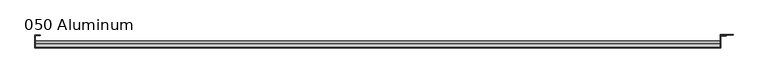
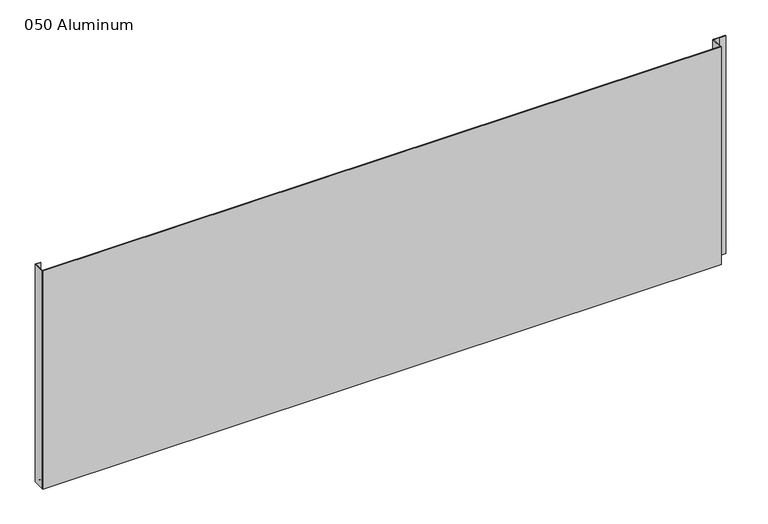
"""IFC4 building model written with IfcOpenShell, lengths in millimetres: plate geometry, 050 Aluminum."""

from ifc_helpers import new_model, si_unit, point, frame, frame_2d, origin, origin_with_axes, place, context, project, spatial, polyline, circle_curve, trimmed, segment, composite_curve, outline, extrude, source, transform, mapped, element, save


def plate_050_aluminum_64eddccd(model_context):
    return source(origin(), model_context, "Body", "SweptSolid", [
        extrude(outline(polyline([(-919.4799998, -2.5660257), (-919.4799998, -34.7980001), (-920.7499998, -34.7980001), (-920.7499998, -1.2699999), (-906.5894993, -1.2699999), (-906.5894993, -2.5660257), (-919.4799998, -2.5660257)])), origin_with_axes(), (0.0, 0.0, 1.0), 621.03),
        extrude(outline(composite_curve([segment(polyline([(-16.6765477, 13.1458337), (-16.6765477, 2.786437), (-17.9464915, 2.786437), (-17.9464915, 13.1323356)]), True, "CONTINUOUS"), segment(trimmed(circle_curve(frame_2d((-19.8514743, 13.124237)), 1.905), [point((-17.9464915, 13.1323356))], [point((-21.7564743, 13.124237))], True, "CARTESIAN"), True, "CONTINUOUS"), segment(polyline([(-21.7564743, 13.124237), (-21.7564743, 0.0), (-34.7980002, 0.0), (-34.7980002, 1.2693678), (-23.0264743, 1.2693678), (-23.0264743, 13.124237)]), True, "CONTINUOUS"), segment(trimmed(circle_curve(frame_2d((-19.8514743, 13.124237)), 3.175), [point((-23.0264743, 13.124237))], [point((-16.6765477, 13.1458337))], False, "CARTESIAN"), True, "CONTINUOUS")], self_intersect=False)), frame((-919.4799998, 0.0, 0.0), z_axis=(1.0, 0.0, 0.0), x_axis=(0.0, 1.0, 0.0)), (0.0, 0.0, 1.0), 1826.2599997),
        extrude(outline(polyline([(-920.7499998, -36.068), (-920.7499998, -34.7980001), (908.0499998, -34.7980001), (908.0499998, -36.068), (-920.7499998, -36.068)])), origin_with_axes(), (0.0, 0.0, 1.0), 622.3),
        extrude(outline(polyline([(908.0499998, -1.2699999), (908.0499998, -34.7980002), (906.7799999, -34.7980002), (906.7799999, 0.0), (940.5620855, 0.0), (940.5620855, -1.2699999), (908.0499998, -1.2699999)])), origin_with_axes(), (0.0, 0.0, 1.0), 621.03),
        extrude(outline(polyline([(906.7799998, -3.3274743), (906.7799998, -2.0574743), (922.5279998, -2.0574743), (922.5279998, -3.3274743), (906.7799998, -3.3274743)])), origin_with_axes(), (0.0, 0.0, 1.0), 622.3),
    ])


if __name__ == "__main__":
    model = new_model("IFC4")
    model_context = context("Model", 3, world=origin())
    ifc_project = project(units=[si_unit("LENGTHUNIT", "METRE", prefix="MILLI")], contexts=[model_context])
    site = spatial("IfcSite", under=ifc_project)
    building = spatial("IfcBuilding", under=site)
    placement = place(None, origin())
    plate_050_aluminum_shape = plate_050_aluminum_64eddccd(model_context)
    element("IfcPlate", 1, ObjectType="050 Aluminum", at=placement, inside=building, context=model_context, shape_type="MappedRepresentation", body=[
        mapped(plate_050_aluminum_shape, transform((0.0, 0.0, 0.0), x_axis=(1.0, 0.0, 0.0), y_axis=(0.0, 1.0, 0.0), z_axis=(0.0, 0.0, 1.0))),
    ])
    save(model, "model.ifc")
